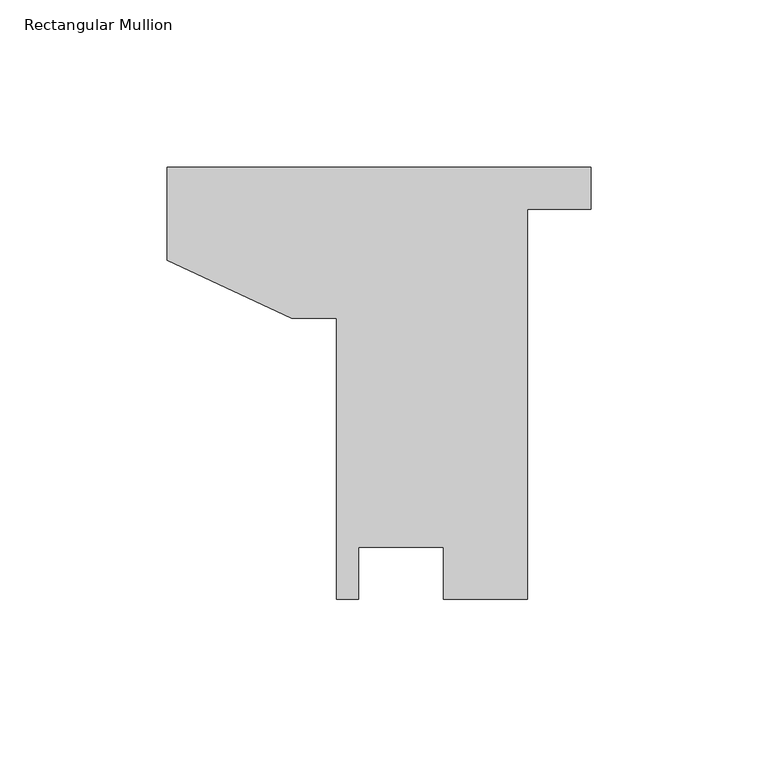
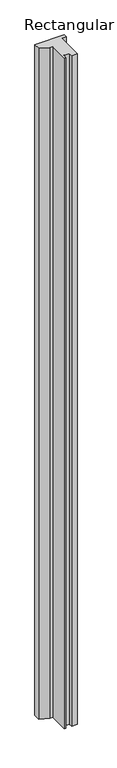
"""IFC4 building model written with IfcOpenShell, lengths in millimetres: member geometry, Rectangular Mullion."""

from ifc_helpers import new_model, si_unit, frame, origin, place, context, project, spatial, polyline, outline, extrude, source, transform, mapped, element, save


def rectangular_mullion_caa5740e(model_context):
    return source(origin(), model_context, "Body", "SweptSolid", [
        extrude(outline(polyline([(-127.0, 43.1622712), (-127.0, 71.040625), (0.0, 71.040625), (0.0, 58.340625), (-19.04365, 58.340625), (-19.04365, -58.340625), (-44.2112916, -58.340625), (-44.2112916, -42.719625), (-69.6277502, -42.719625), (-69.6277502, -58.340625), (-76.193547, -58.340625), (-76.193547, 25.727025), (-89.609994, 25.727025), (-127.0, 43.1622712)])), frame((0.0, 0.0, -3048.0), z_axis=(0.0, 0.0, 1.0), x_axis=(1.0, 0.0, 0.0)), (0.0, 0.0, 1.0), 3048.0),
    ])


if __name__ == "__main__":
    model = new_model("IFC4")
    model_context = context("Model", 3, world=origin())
    ifc_project = project(units=[si_unit("LENGTHUNIT", "METRE", prefix="MILLI")], contexts=[model_context])
    site = spatial("IfcSite", under=ifc_project)
    building = spatial("IfcBuilding", under=site)
    placement = place(None, origin())
    rectangular_mullion_shape = rectangular_mullion_caa5740e(model_context)
    element("IfcMember", 1, ObjectType="Rectangular Mullion", at=placement, inside=building, context=model_context, shape_type="MappedRepresentation", body=[
        mapped(rectangular_mullion_shape, transform((0.0, 0.0, 0.0), x_axis=(1.0, 0.0, 0.0), y_axis=(0.0, 1.0, 0.0), z_axis=(0.0, 0.0, 1.0))),
    ])
    save(model, "model.ifc")
